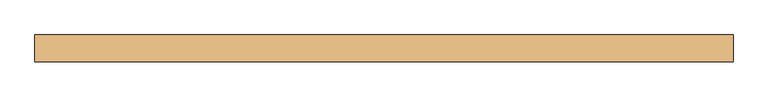
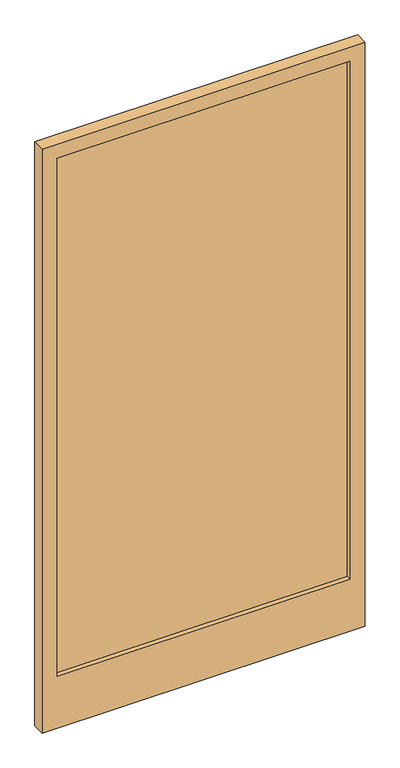
"""IFC4 building model written with IfcOpenShell, lengths in millimetres: door geometry."""

from ifc_helpers import new_model, si_unit, frame, origin, place, context, project, spatial, polyline, outline, extrude, source, transform, mapped, element, save


def door_eb314c2a(model_context):
    return source(origin(), model_context, "Body", "SweptSolid", [
        extrude(outline(polyline([(590.0, -5.0), (-590.0, -5.0), (-590.0, 5.0), (590.0, 5.0), (590.0, -5.0)])), frame((0.0, 0.0, 270.0), z_axis=(0.0, 0.0, 1.0), x_axis=(1.0, 0.0, 0.0)), (0.0, 0.0, 1.0), 2202.5525218),
        extrude(outline(polyline([(2532.5525218, 650.0), (2532.5525218, -650.0), (50.0, -650.0), (50.0, 650.0), (2532.5525218, 650.0)]), holes=[polyline([(2472.5525218, 590.0), (270.0, 590.0), (270.0, -590.0), (2472.5525218, -590.0), (2472.5525218, 590.0)])]), frame((0.0, -25.0, 0.0), z_axis=(0.0, 1.0, 0.0), x_axis=(0.0, 0.0, 1.0)), (0.0, 0.0, 1.0), 50.0),
    ])


if __name__ == "__main__":
    model = new_model("IFC4")
    model_context = context("Model", 3, world=origin())
    ifc_project = project(units=[si_unit("LENGTHUNIT", "METRE", prefix="MILLI")], contexts=[model_context])
    site = spatial("IfcSite", under=ifc_project)
    building = spatial("IfcBuilding", under=site)
    placement = place(None, origin())
    door_shape = door_eb314c2a(model_context)
    element("IfcDoor", 1, at=placement, inside=building, context=model_context, shape_type="MappedRepresentation", body=[
        mapped(door_shape, transform((0.0, 0.0, 0.0), x_axis=(1.0, 0.0, 0.0), y_axis=(0.0, 1.0, 0.0), z_axis=(0.0, 0.0, 1.0))),
    ])
    save(model, "model.ifc")
